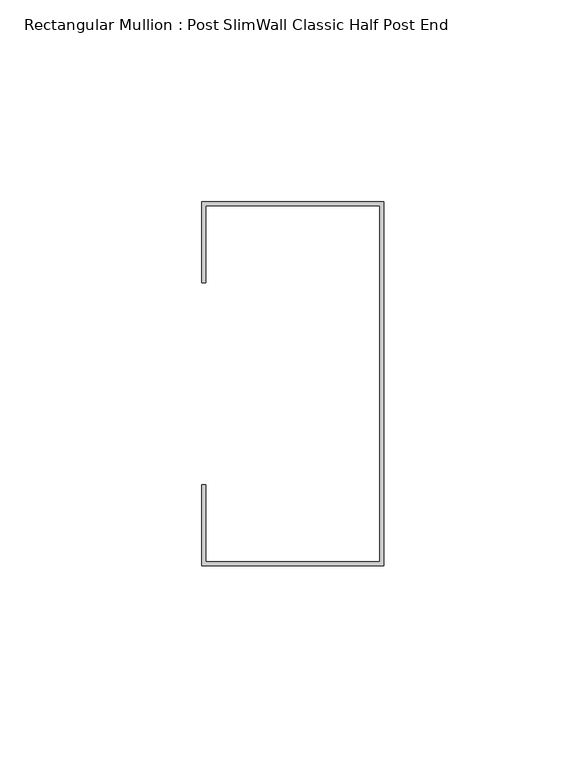
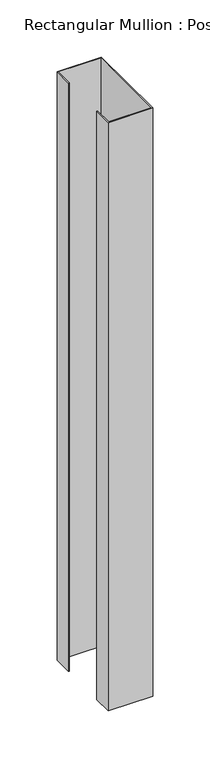
"""IFC4 building model written with IfcOpenShell, lengths in millimetres: member geometry, Rectangular Mullion : Post SlimWall Classic Half Post End."""

from ifc_helpers import new_model, si_unit, frame, origin, place, context, project, spatial, polyline, outline, extrude, source, transform, mapped, element, save


def rectangular_mullion_post_slimwall_classic_half_post_end_3a3bb4f5(model_context):
    return source(origin(), model_context, "Body", "SweptSolid", [
        extrude(outline(polyline([(-44.05, 44.05), (-44.05, 25.0), (-45.0, 25.0), (-45.0, 45.0), (0.0, 45.0), (0.0, -45.0), (-45.0, -45.0), (-45.0, -25.0), (-44.05, -25.0), (-44.05, -44.05), (-0.95, -44.05), (-0.95, 44.05), (-44.05, 44.05)])), frame((0.0, 0.0, -630.0), z_axis=(0.0, 0.0, 1.0), x_axis=(1.0, 0.0, 0.0)), (0.0, 0.0, 1.0), 630.0),
    ])


if __name__ == "__main__":
    model = new_model("IFC4")
    model_context = context("Model", 3, world=origin())
    ifc_project = project(units=[si_unit("LENGTHUNIT", "METRE", prefix="MILLI")], contexts=[model_context])
    site = spatial("IfcSite", under=ifc_project)
    building = spatial("IfcBuilding", under=site)
    placement = place(None, origin())
    rectangular_mullion_post_slimwall_classic_half_post_end_shape = rectangular_mullion_post_slimwall_classic_half_post_end_3a3bb4f5(model_context)
    element("IfcMember", 1, ObjectType="Rectangular Mullion : Post SlimWall Classic Half Post End", at=placement, inside=building, context=model_context, shape_type="MappedRepresentation", body=[
        mapped(rectangular_mullion_post_slimwall_classic_half_post_end_shape, transform((0.0, 0.0, 0.0), x_axis=(1.0, 0.0, 0.0), y_axis=(0.0, 1.0, 0.0), z_axis=(0.0, 0.0, 1.0))),
    ])
    save(model, "model.ifc")
